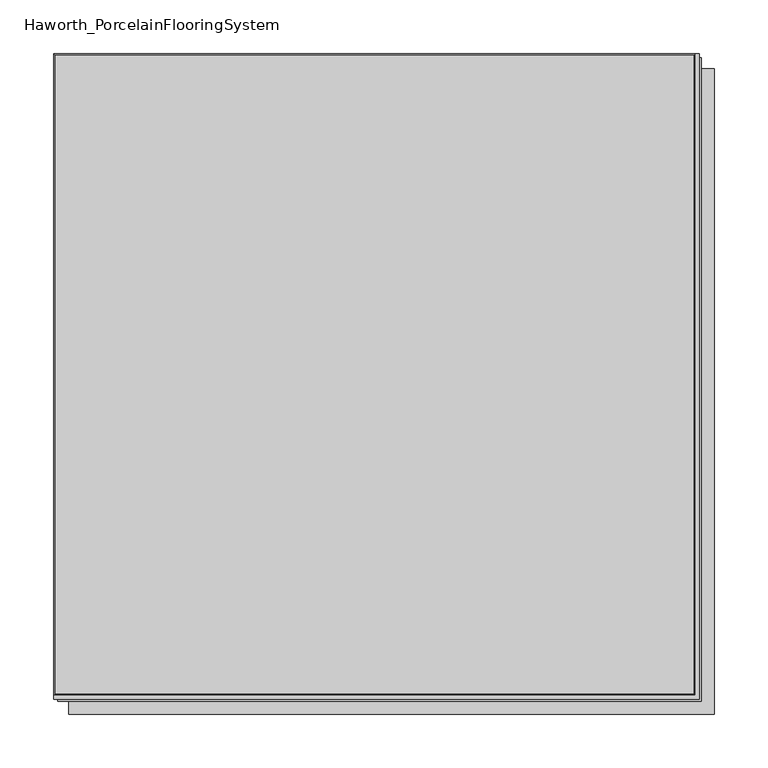
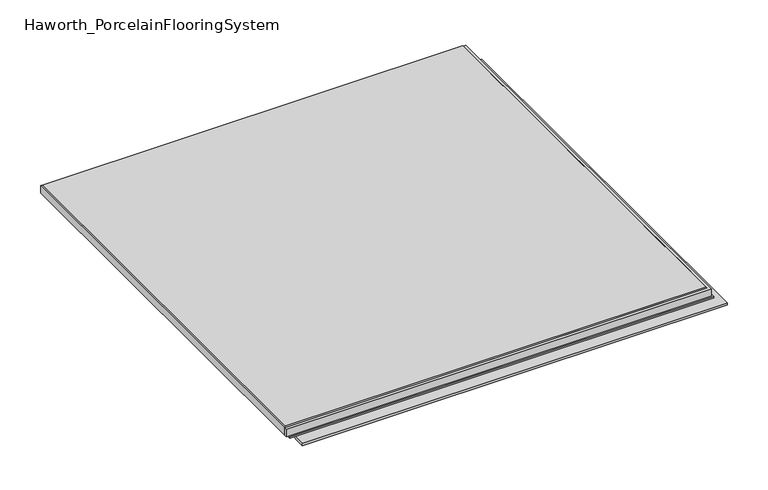
"""IFC4 building model written with IfcOpenShell, lengths in millimetres: proxy geometry, Haworth_PorcelainFlooringSystem."""

from ifc_helpers import new_model, si_unit, frame, origin, origin_with_axes, place, context, project, spatial, polyline, outline, extrude, faceted_brep, source, transform, mapped, element, save


def haworth_porcelainflooringsystem_5714ef78(model_context):
    return source(origin(), model_context, "Body", "SolidModel", [
        extrude(outline(polyline([(-299.0453125, -299.0453125), (299.0453125, -299.0453125), (299.0453125, 299.0453125), (302.6171875, 299.0453125), (302.6171875, -302.6171875), (-299.0453125, -302.6171875), (-299.0453125, -299.0453125)])), frame((0.0, 0.0, 9.525), z_axis=(0.0, 0.0, 1.0), x_axis=(1.0, 0.0, 0.0)), (0.0, 0.0, 1.0), 11.1125),
        extrude(outline(polyline([(-295.275, -304.6015625), (-295.275, -299.0453125), (299.0453125, -299.0453125), (299.0453125, 295.0765625), (304.6015625, 295.0765625), (304.6015625, -304.6015625), (-295.275, -304.6015625)])), frame((0.0, 0.0, 7.2009), z_axis=(0.0, 0.0, 1.0), x_axis=(1.0, 0.0, 0.0)), (0.0, 0.0, 1.0), 2.3241),
        extrude(outline(polyline([(284.7621243, 284.7621243), (284.7621243, -284.7621243), (-284.7621243, -284.7621243), (-284.7621243, 284.7621243), (284.7621243, 284.7621243)])), origin_with_axes(), (0.0, 0.0, 1.0), 9.525),
        faceted_brep([(299.0453125, 299.0453125, 9.525), (299.0453125, -299.0453125, 9.525), (-299.0453125, -299.0453125, 9.525), (-299.0453125, 299.0453125, 9.525), (-299.0453125, 299.0453125, 20.6375), (299.0453125, 299.0453125, 20.6375), (-299.0453125, -299.0453125, 20.6375), (299.0453125, -299.0453125, 20.6375), (297.4578125, 297.4578125, 22.225), (-297.4578125, 297.4578125, 22.225), (-297.4578125, -297.4578125, 22.225), (297.4578125, -297.4578125, 22.225)], [[[0, 1, 2, 3]], [[0, 3, 4, 5]], [[3, 2, 6, 4]], [[2, 1, 7, 6]], [[1, 0, 5, 7]], [[8, 9, 10, 11]], [[9, 8, 5, 4]], [[10, 9, 4, 6]], [[11, 10, 6, 7]], [[8, 11, 7, 5]]]),
        extrude(outline(polyline([(-284.7621243, -316.9003757), (-284.7621243, -284.7621243), (284.7621243, -284.7621243), (284.7621243, 284.7621243), (316.9003757, 284.7621243), (316.9003757, -316.9003757), (-284.7621243, -316.9003757)])), origin_with_axes(), (0.0, 0.0, 1.0), 3.175),
    ])


if __name__ == "__main__":
    model = new_model("IFC4")
    model_context = context("Model", 3, world=origin())
    ifc_project = project(units=[si_unit("LENGTHUNIT", "METRE", prefix="MILLI")], contexts=[model_context])
    site = spatial("IfcSite", under=ifc_project)
    building = spatial("IfcBuilding", under=site)
    placement = place(None, origin())
    haworth_porcelainflooringsystem_shape = haworth_porcelainflooringsystem_5714ef78(model_context)
    element("IfcBuildingElementProxy", 1, Name="Haworth_PorcelainFlooringSystem", ObjectType="Haworth_PorcelainFlooringSystem", at=placement, inside=building, context=model_context, shape_type="MappedRepresentation", body=[
        mapped(haworth_porcelainflooringsystem_shape, transform((0.0, 0.0, 0.0), x_axis=(1.0, 0.0, 0.0), y_axis=(0.0, 1.0, 0.0), z_axis=(0.0, 0.0, 1.0))),
    ])
    save(model, "model.ifc")
